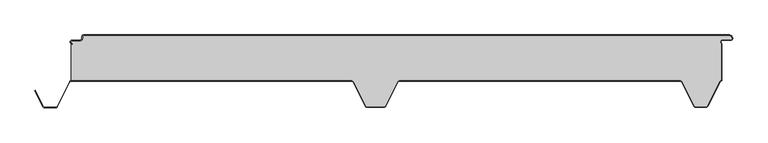
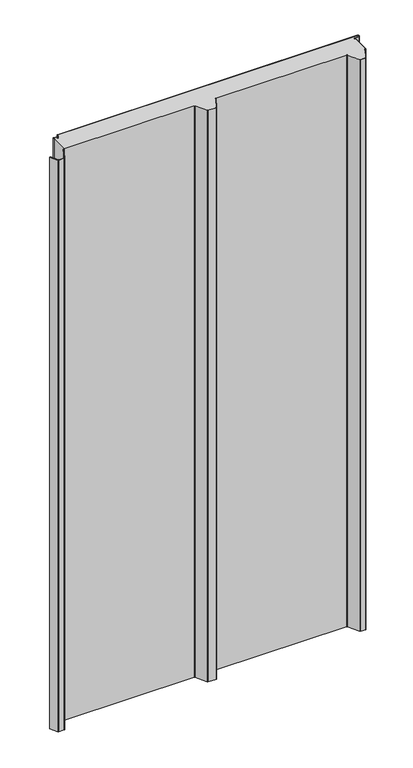
"""IFC4 building model written with IfcOpenShell, lengths in millimetres: proxy geometry."""

from ifc_helpers import new_model, si_unit, point, frame_2d, origin, origin_with_axes, place, context, project, spatial, polyline, circle_curve, trimmed, segment, composite_curve, outline, extrude, source, transform, mapped, element, save


def generic_models_253968d1(model_context):
    return source(origin(), model_context, "Body", "SweptSolid", [
        extrude(outline(composite_curve([segment(polyline([(548.7649646, -5.5), (547.9649646, -5.5)]), True, "CONTINUOUS"), segment(trimmed(circle_curve(frame_2d((543.2649646, -5.5)), 4.7), [point((547.9649646, -5.5))], [point((543.2649646, -0.8))], True, "CARTESIAN"), True, "CONTINUOUS"), segment(polyline([(543.2649646, -0.8), (-448.7436881, -0.8)]), True, "CONTINUOUS"), segment(trimmed(circle_curve(frame_2d((-448.7436881, -2.5)), 1.7), [point((-448.7436881, -0.8))], [point((-450.4436881, -2.5))], True, "CARTESIAN"), True, "CONTINUOUS"), segment(polyline([(-450.4436881, -2.5), (-450.4436881, -5.5)]), True, "CONTINUOUS"), segment(trimmed(circle_curve(frame_2d((-453.7436881, -5.5)), 3.3), [point((-450.4436881, -5.5))], [point((-453.7436881, -8.8))], False, "CARTESIAN"), True, "CONTINUOUS"), segment(polyline([(-453.7436881, -8.8), (-466.2436881, -8.8)]), True, "CONTINUOUS"), segment(trimmed(circle_curve(frame_2d((-466.2436881, -11.0)), 2.2), [point((-466.2436881, -8.8))], [point((-466.2436881, -13.2))], True, "CARTESIAN"), True, "CONTINUOUS"), segment(polyline([(-466.2436881, -13.2), (-466.2436881, -14.0)]), True, "CONTINUOUS"), segment(trimmed(circle_curve(frame_2d((-466.2436881, -11.0)), 3.0), [point((-466.2436881, -14.0))], [point((-466.2436881, -8.0))], False, "CARTESIAN"), True, "CONTINUOUS"), segment(polyline([(-466.2436881, -8.0), (-453.7436881, -8.0)]), True, "CONTINUOUS"), segment(trimmed(circle_curve(frame_2d((-453.7436881, -5.5)), 2.5), [point((-453.7436881, -8.0))], [point((-451.2436881, -5.5))], True, "CARTESIAN"), True, "CONTINUOUS"), segment(polyline([(-451.2436881, -5.5), (-451.2436881, -2.5)]), True, "CONTINUOUS"), segment(trimmed(circle_curve(frame_2d((-448.7436881, -2.5)), 2.5), [point((-451.2436881, -2.5))], [point((-448.7436881, 0.0))], False, "CARTESIAN"), True, "CONTINUOUS"), segment(polyline([(-448.7436881, 0.0), (543.2649646, 0.0)]), True, "CONTINUOUS"), segment(trimmed(circle_curve(frame_2d((543.2649646, -5.5)), 5.5), [point((543.2649646, 0.0))], [point((548.7649646, -5.5))], False, "CARTESIAN"), True, "CONTINUOUS")], self_intersect=False)), origin_with_axes(), (0.0, 0.0, 1.0), 2000.0),
        extrude(outline(composite_curve([segment(trimmed(circle_curve(frame_2d((-466.2436881, -11.0)), 2.2), [point((-466.2436881, -13.2))], [point((-466.2436881, -8.8))], False, "CARTESIAN"), True, "CONTINUOUS"), segment(polyline([(-466.2436881, -8.8), (-453.7436881, -8.8)]), True, "CONTINUOUS"), segment(trimmed(circle_curve(frame_2d((-453.7436881, -5.5)), 3.3), [point((-453.7436881, -8.8))], [point((-450.4436881, -5.5))], True, "CARTESIAN"), True, "CONTINUOUS"), segment(polyline([(-450.4436881, -5.5), (-450.4436881, -2.5)]), True, "CONTINUOUS"), segment(trimmed(circle_curve(frame_2d((-448.7436881, -2.5)), 1.7), [point((-450.4436881, -2.5))], [point((-448.7436881, -0.8))], False, "CARTESIAN"), True, "CONTINUOUS"), segment(polyline([(-448.7436881, -0.8), (543.2649646, -0.8)]), True, "CONTINUOUS"), segment(trimmed(circle_curve(frame_2d((543.2649646, -5.5)), 4.7), [point((543.2649646, -0.8))], [point((547.9649646, -5.5))], False, "CARTESIAN"), True, "CONTINUOUS"), segment(trimmed(circle_curve(frame_2d((546.2649646, -5.5)), 1.7), [point((547.9649646, -5.5))], [point((546.2649646, -7.2))], False, "CARTESIAN"), True, "CONTINUOUS"), segment(polyline([(546.2649646, -7.2), (533.7563119, -7.2)]), True, "CONTINUOUS"), segment(trimmed(circle_curve(frame_2d((533.7563119, -11.0)), 3.8), [point((533.7563119, -7.2))], [point((531.587308, -14.1201638))], True, "CARTESIAN"), True, "CONTINUOUS"), segment(polyline([(531.587308, -14.1201638), (531.587308, -69.2829331)]), True, "CONTINUOUS"), segment(trimmed(circle_curve(frame_2d((532.387308, -73.1)), 3.9), [point((531.587308, -69.2829331))], [point((528.8995986, -71.3547542))], True, "CARTESIAN"), True, "CONTINUOUS"), segment(polyline([(528.8995986, -71.3547542), (509.9186975, -109.2221572)]), True, "CONTINUOUS"), segment(trimmed(circle_curve(frame_2d((508.577726, -108.55)), 1.5), [point((509.9186975, -109.2221572))], [point((508.577726, -110.05))], False, "CARTESIAN"), True, "CONTINUOUS"), segment(polyline([(508.577726, -110.05), (491.4395777, -110.05)]), True, "CONTINUOUS"), segment(trimmed(circle_curve(frame_2d((491.4395777, -108.55)), 1.5), [point((491.4395777, -110.05))], [point((490.097602, -109.2201502))], False, "CARTESIAN"), True, "CONTINUOUS"), segment(polyline([(490.097602, -109.2201502), (471.3684498, -71.715023)]), True, "CONTINUOUS"), segment(trimmed(circle_curve(frame_2d((468.5950334, -73.1)), 3.1), [point((471.3684498, -71.715023))], [point((468.5950334, -70.0))], True, "CARTESIAN"), True, "CONTINUOUS"), segment(polyline([(468.5950334, -70.0), (36.4222721, -70.0)]), True, "CONTINUOUS"), segment(trimmed(circle_curve(frame_2d((36.4222721, -73.1)), 3.1), [point((36.4222721, -70.0))], [point((33.6488557, -71.715023))], True, "CARTESIAN"), True, "CONTINUOUS"), segment(polyline([(33.6488557, -71.715023), (14.9197036, -109.2201502)]), True, "CONTINUOUS"), segment(trimmed(circle_curve(frame_2d((13.5777279, -108.55)), 1.5), [point((14.9197036, -109.2201502))], [point((13.5777279, -110.05))], False, "CARTESIAN"), True, "CONTINUOUS"), segment(polyline([(13.5777279, -110.05), (-13.5777279, -110.05)]), True, "CONTINUOUS"), segment(trimmed(circle_curve(frame_2d((-13.5777279, -108.55)), 1.5), [point((-13.5777279, -110.05))], [point((-14.9197036, -109.2201502))], False, "CARTESIAN"), True, "CONTINUOUS"), segment(polyline([(-14.9197036, -109.2201502), (-33.6488557, -71.715023)]), True, "CONTINUOUS"), segment(trimmed(circle_curve(frame_2d((-36.4222721, -73.1)), 3.1), [point((-33.6488557, -71.715023))], [point((-36.4222721, -70.0))], True, "CARTESIAN"), True, "CONTINUOUS"), segment(polyline([(-36.4222721, -70.0), (-467.612692, -70.0), (-467.612692, -13.6694247)]), True, "CONTINUOUS"), segment(trimmed(circle_curve(frame_2d((-466.2436881, -11.0)), 3.0), [point((-467.612692, -13.6694247))], [point((-466.2436881, -14.0))], True, "CARTESIAN"), True, "CONTINUOUS"), segment(polyline([(-466.2436881, -14.0), (-466.2436881, -13.2)]), True, "CONTINUOUS")], self_intersect=False)), origin_with_axes(), (0.0, 0.0, 1.0), 2000.0),
        extrude(outline(composite_curve([segment(polyline([(-523.5365904, -85.7174495), (-522.82087, -85.3600361), (-510.4107041, -110.2113932)]), True, "CONTINUOUS"), segment(trimmed(circle_curve(frame_2d((-509.0687284, -109.541243)), 1.5), [point((-510.4107041, -110.2113932))], [point((-509.0687284, -111.041243))], True, "CARTESIAN"), True, "CONTINUOUS"), segment(polyline([(-509.0687284, -111.041243), (-490.9312716, -111.041243)]), True, "CONTINUOUS"), segment(trimmed(circle_curve(frame_2d((-490.9312716, -109.541243)), 1.5), [point((-490.9312716, -111.041243))], [point((-489.5890038, -110.210808))], True, "CARTESIAN"), True, "CONTINUOUS"), segment(polyline([(-489.5890038, -110.210808), (-470.3867121, -71.7162325)]), True, "CONTINUOUS"), segment(trimmed(circle_curve(frame_2d((-467.612692, -73.1)), 3.1), [point((-470.3867121, -71.7162325))], [point((-467.612692, -70.0))], False, "CARTESIAN"), True, "CONTINUOUS"), segment(polyline([(-467.612692, -70.0), (-36.4222721, -70.0)]), True, "CONTINUOUS"), segment(trimmed(circle_curve(frame_2d((-36.4222721, -73.1)), 3.1), [point((-36.4222721, -70.0))], [point((-33.6488557, -71.715023))], False, "CARTESIAN"), True, "CONTINUOUS"), segment(polyline([(-33.6488557, -71.715023), (-14.9197036, -109.2201502)]), True, "CONTINUOUS"), segment(trimmed(circle_curve(frame_2d((-13.5777279, -108.55)), 1.5), [point((-14.9197036, -109.2201502))], [point((-13.5777279, -110.05))], True, "CARTESIAN"), True, "CONTINUOUS"), segment(polyline([(-13.5777279, -110.05), (13.5777279, -110.05)]), True, "CONTINUOUS"), segment(trimmed(circle_curve(frame_2d((13.5777279, -108.55)), 1.5), [point((13.5777279, -110.05))], [point((14.9197036, -109.2201502))], True, "CARTESIAN"), True, "CONTINUOUS"), segment(polyline([(14.9197036, -109.2201502), (33.6488557, -71.715023)]), True, "CONTINUOUS"), segment(trimmed(circle_curve(frame_2d((36.4222721, -73.1)), 3.1), [point((33.6488557, -71.715023))], [point((36.4222721, -70.0))], False, "CARTESIAN"), True, "CONTINUOUS"), segment(polyline([(36.4222721, -70.0), (468.5950334, -70.0)]), True, "CONTINUOUS"), segment(trimmed(circle_curve(frame_2d((468.5950334, -73.1)), 3.1), [point((468.5950334, -70.0))], [point((471.3684498, -71.715023))], False, "CARTESIAN"), True, "CONTINUOUS"), segment(polyline([(471.3684498, -71.715023), (490.097602, -109.2201502)]), True, "CONTINUOUS"), segment(trimmed(circle_curve(frame_2d((491.4395777, -108.55)), 1.5), [point((490.097602, -109.2201502))], [point((491.4395777, -110.05))], True, "CARTESIAN"), True, "CONTINUOUS"), segment(polyline([(491.4395777, -110.05), (508.577725, -110.05)]), True, "CONTINUOUS"), segment(trimmed(circle_curve(frame_2d((508.577725, -108.55)), 1.5), [point((508.577725, -110.05))], [point((509.9186965, -109.2221572))], True, "CARTESIAN"), True, "CONTINUOUS"), segment(polyline([(509.9186965, -109.2221572), (528.900782, -71.3523912)]), True, "CONTINUOUS"), segment(trimmed(circle_curve(frame_2d((532.387308, -73.1)), 3.9), [point((528.900782, -71.3523912))], [point((531.587308, -69.2829331))], False, "CARTESIAN"), True, "CONTINUOUS"), segment(polyline([(531.587308, -69.2829331), (531.587308, -14.1201638)]), True, "CONTINUOUS"), segment(trimmed(circle_curve(frame_2d((533.7563119, -11.0)), 3.8), [point((531.587308, -14.1201638))], [point((533.7563119, -7.2))], False, "CARTESIAN"), True, "CONTINUOUS"), segment(polyline([(533.7563119, -7.2), (546.2649646, -7.2)]), True, "CONTINUOUS"), segment(trimmed(circle_curve(frame_2d((546.2649646, -5.5)), 1.7), [point((546.2649646, -7.2))], [point((547.9649646, -5.5))], True, "CARTESIAN"), True, "CONTINUOUS"), segment(polyline([(547.9649646, -5.5), (548.7649646, -5.5)]), True, "CONTINUOUS"), segment(trimmed(circle_curve(frame_2d((546.2649646, -5.5)), 2.5), [point((548.7649646, -5.5))], [point((546.2649646, -8.0))], False, "CARTESIAN"), True, "CONTINUOUS"), segment(polyline([(546.2649646, -8.0), (533.7563119, -8.0)]), True, "CONTINUOUS"), segment(trimmed(circle_curve(frame_2d((533.7563119, -11.0)), 3.0), [point((533.7563119, -8.0))], [point((532.387308, -13.6694247))], True, "CARTESIAN"), True, "CONTINUOUS"), segment(polyline([(532.387308, -13.6694247), (532.387308, -70.0)]), True, "CONTINUOUS"), segment(trimmed(circle_curve(frame_2d((532.387308, -73.1)), 3.1), [point((532.387308, -70.0))], [point((529.6159668, -71.7108751))], True, "CARTESIAN"), True, "CONTINUOUS"), segment(polyline([(529.6159668, -71.7108751), (510.6338814, -109.5806411)]), True, "CONTINUOUS"), segment(trimmed(circle_curve(frame_2d((508.577725, -108.55)), 2.3), [point((510.6338814, -109.5806411))], [point((508.577725, -110.85))], False, "CARTESIAN"), True, "CONTINUOUS"), segment(polyline([(508.577725, -110.85), (491.4395777, -110.85)]), True, "CONTINUOUS"), segment(trimmed(circle_curve(frame_2d((491.4395777, -108.55)), 2.3), [point((491.4395777, -110.85))], [point((489.3818816, -109.5775636))], False, "CARTESIAN"), True, "CONTINUOUS"), segment(polyline([(489.3818816, -109.5775636), (470.6527295, -72.0724364)]), True, "CONTINUOUS"), segment(trimmed(circle_curve(frame_2d((468.5950334, -73.1)), 2.3), [point((470.6527295, -72.0724364))], [point((468.5950334, -70.8))], True, "CARTESIAN"), True, "CONTINUOUS"), segment(polyline([(468.5950334, -70.8), (36.4222721, -70.8)]), True, "CONTINUOUS"), segment(trimmed(circle_curve(frame_2d((36.4222721, -73.1)), 2.3), [point((36.4222721, -70.8))], [point((34.3645761, -72.0724364))], True, "CARTESIAN"), True, "CONTINUOUS"), segment(polyline([(34.3645761, -72.0724364), (15.6354239, -109.5775636)]), True, "CONTINUOUS"), segment(trimmed(circle_curve(frame_2d((13.5777279, -108.55)), 2.3), [point((15.6354239, -109.5775636))], [point((13.5777279, -110.85))], False, "CARTESIAN"), True, "CONTINUOUS"), segment(polyline([(13.5777279, -110.85), (-13.5777279, -110.85)]), True, "CONTINUOUS"), segment(trimmed(circle_curve(frame_2d((-13.5777279, -108.55)), 2.3), [point((-13.5777279, -110.85))], [point((-15.6354239, -109.5775636))], False, "CARTESIAN"), True, "CONTINUOUS"), segment(polyline([(-15.6354239, -109.5775636), (-34.3645761, -72.0724364)]), True, "CONTINUOUS"), segment(trimmed(circle_curve(frame_2d((-36.4222721, -73.1)), 2.3), [point((-34.3645761, -72.0724364))], [point((-36.4222721, -70.8))], True, "CARTESIAN"), True, "CONTINUOUS"), segment(polyline([(-36.4222721, -70.8), (-467.612692, -70.8)]), True, "CONTINUOUS"), segment(trimmed(circle_curve(frame_2d((-467.612692, -73.1)), 2.3), [point((-467.612692, -70.8))], [point((-469.6708359, -72.0733338))], True, "CARTESIAN"), True, "CONTINUOUS"), segment(polyline([(-469.6708359, -72.0733338), (-488.8731276, -110.5679093)]), True, "CONTINUOUS"), segment(trimmed(circle_curve(frame_2d((-490.9312716, -109.541243)), 2.3), [point((-488.8731276, -110.5679093))], [point((-490.9312716, -111.841243))], False, "CARTESIAN"), True, "CONTINUOUS"), segment(polyline([(-490.9312716, -111.841243), (-509.0687284, -111.841243)]), True, "CONTINUOUS"), segment(trimmed(circle_curve(frame_2d((-509.0687284, -109.541243)), 2.3), [point((-509.0687284, -111.841243))], [point((-511.1264245, -110.5688066))], False, "CARTESIAN"), True, "CONTINUOUS"), segment(polyline([(-511.1264245, -110.5688066), (-523.5365904, -85.7174495)]), True, "CONTINUOUS")], self_intersect=False)), origin_with_axes(), (0.0, 0.0, 1.0), 2000.0),
    ])


if __name__ == "__main__":
    model = new_model("IFC4")
    model_context = context("Model", 3, world=origin())
    ifc_project = project(units=[si_unit("LENGTHUNIT", "METRE", prefix="MILLI")], contexts=[model_context])
    site = spatial("IfcSite", under=ifc_project)
    building = spatial("IfcBuilding", under=site)
    placement = place(None, origin())
    generic_models_shape = generic_models_253968d1(model_context)
    element("IfcBuildingElementProxy", 1, Name="Generic Models", at=placement, inside=building, context=model_context, shape_type="MappedRepresentation", body=[
        mapped(generic_models_shape, transform((0.0, 0.0, 0.0), x_axis=(1.0, 0.0, 0.0), y_axis=(0.0, 1.0, 0.0), z_axis=(0.0, 0.0, 1.0))),
    ])
    save(model, "model.ifc")
